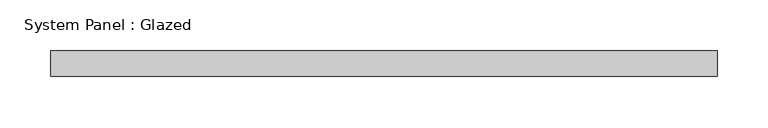
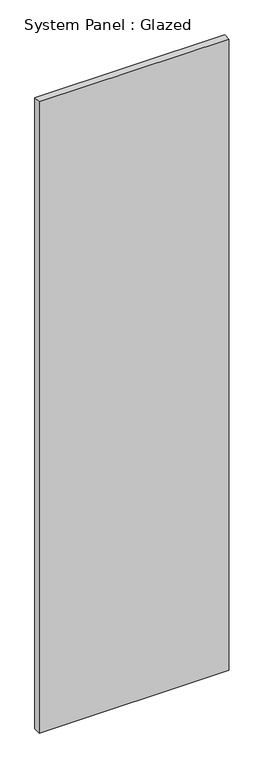
"""IFC4 building model written with IfcOpenShell, lengths in millimetres: plate geometry, System Panel : Glazed."""

from ifc_helpers import new_model, si_unit, origin, origin_with_axes, place, context, project, spatial, polyline, outline, extrude, source, transform, mapped, element, save


def system_panel_glazed_43a2e154(model_context):
    return source(origin(), model_context, "Body", "SweptSolid", [
        extrude(outline(polyline([(326.8709026, -49.5), (-326.8709026, -49.5), (-326.8709026, -24.5), (326.8709026, -24.5), (326.8709026, -49.5)])), origin_with_axes(), (0.0, 0.0, 1.0), 2300.0),
    ])


if __name__ == "__main__":
    model = new_model("IFC4")
    model_context = context("Model", 3, world=origin())
    ifc_project = project(units=[si_unit("LENGTHUNIT", "METRE", prefix="MILLI")], contexts=[model_context])
    site = spatial("IfcSite", under=ifc_project)
    building = spatial("IfcBuilding", under=site)
    placement = place(None, origin())
    system_panel_glazed_shape = system_panel_glazed_43a2e154(model_context)
    element("IfcPlate", 1, ObjectType="System Panel : Glazed", at=placement, inside=building, context=model_context, shape_type="MappedRepresentation", body=[
        mapped(system_panel_glazed_shape, transform((0.0, 0.0, 0.0), x_axis=(1.0, 0.0, 0.0), y_axis=(0.0, 1.0, 0.0), z_axis=(0.0, 0.0, 1.0))),
    ])
    save(model, "model.ifc")
